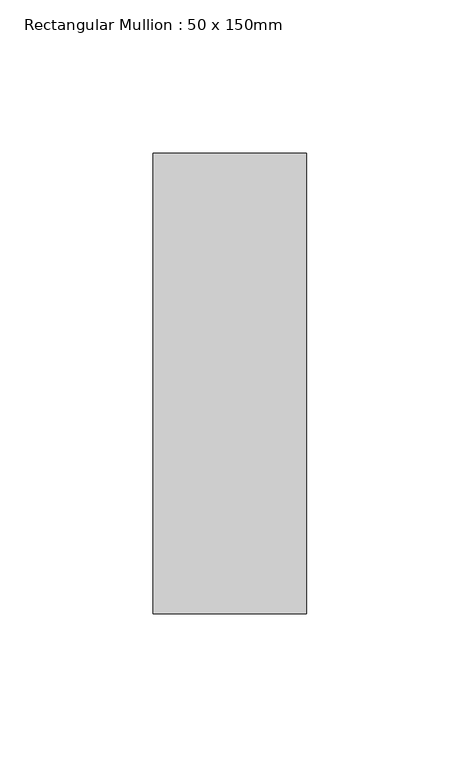
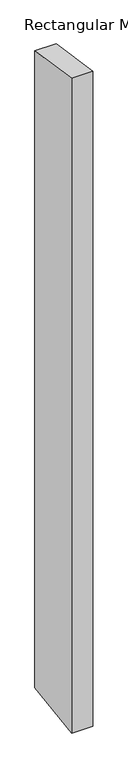
"""IFC4 building model written with IfcOpenShell, lengths in millimetres: member geometry, Rectangular Mullion : 50 x 150mm."""

from ifc_helpers import new_model, si_unit, frame, origin, place, context, project, spatial, polyline, outline, extrude, source, transform, mapped, element, save


def rectangular_mullion_50_x_150mm_858f2cb9(model_context):
    return source(origin(), model_context, "Body", "SweptSolid", [
        extrude(outline(polyline([(-75.0, 11.0979209), (75.0, -11.0979209), (75.0, -1602.027771), (-75.0, -1624.2236128), (-75.0, 11.0979209)])), frame((-50.0, 0.0, 0.0), z_axis=(1.0, 0.0, 0.0), x_axis=(0.0, 1.0, 0.0)), (0.0, 0.0, 1.0), 50.0),
    ])


if __name__ == "__main__":
    model = new_model("IFC4")
    model_context = context("Model", 3, world=origin())
    ifc_project = project(units=[si_unit("LENGTHUNIT", "METRE", prefix="MILLI")], contexts=[model_context])
    site = spatial("IfcSite", under=ifc_project)
    building = spatial("IfcBuilding", under=site)
    placement = place(None, origin())
    rectangular_mullion_50_x_150mm_shape = rectangular_mullion_50_x_150mm_858f2cb9(model_context)
    element("IfcMember", 1, ObjectType="Rectangular Mullion : 50 x 150mm", at=placement, inside=building, context=model_context, shape_type="MappedRepresentation", body=[
        mapped(rectangular_mullion_50_x_150mm_shape, transform((0.0, 0.0, 0.0), x_axis=(1.0, 0.0, 0.0), y_axis=(0.0, 1.0, 0.0), z_axis=(0.0, 0.0, 1.0))),
    ])
    save(model, "model.ifc")
